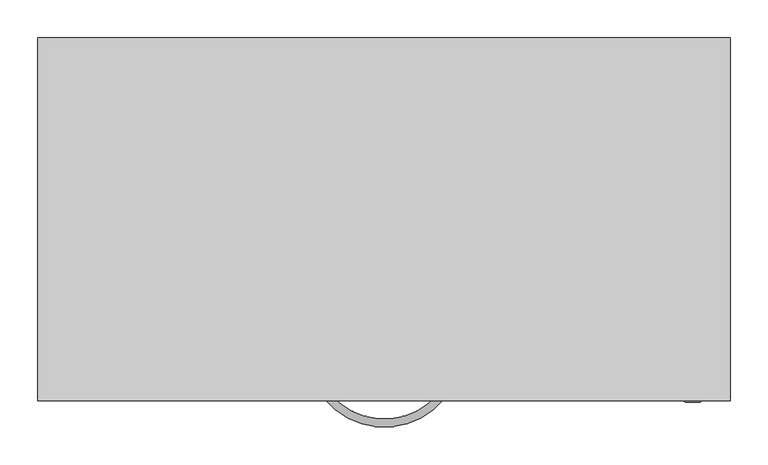
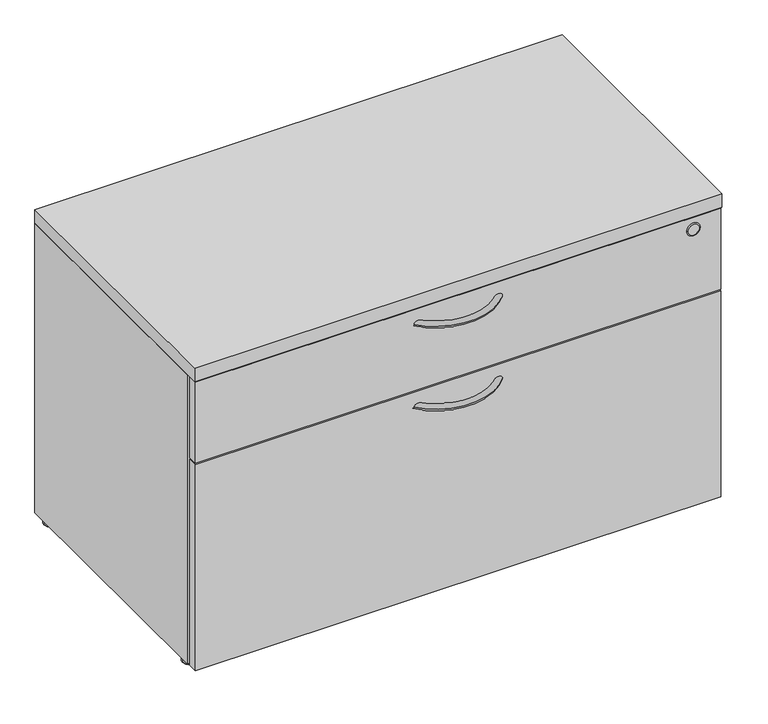
"""IFC4 building model written with IfcOpenShell, lengths in millimetres: furniture geometry."""

from ifc_helpers import new_model, si_unit, point, frame, origin, place, context, project, spatial, polyline, circle_curve, ellipse_curve, trimmed, outline, extrude, source, transform, mapped, element, save
from ifc_brep_helpers import plane_surface, cylinder_surface, revolved_surface, spline_surface, advanced_brep


def furniture_cb8786ba(model_context):
    return source(origin(), model_context, "Body", "SolidModel", [
        extrude(outline(polyline([(888.899231, -22.0971219), (888.899231, -457.3261219), (25.500769, -457.3261219), (25.500769, -22.0971219), (888.899231, -22.0971219)])), frame((0.0, 0.0, 362.0144251), z_axis=(0.0, 0.0, 1.0), x_axis=(1.0, 0.0, 0.0)), (0.0, 0.0, 1.0), 25.4),
        advanced_brep(
        [(378.7963228, -477.3447657, 513.8586235), (386.7663502, -470.6216519, 513.8586235), (536.4141029, -477.3447657, 513.8586235), (528.4440755, -470.6216519, 513.8586235)],
        [
            (0, 1, circle_curve(frame((382.7813365, -473.9832088, 513.8586235), z_axis=(-0.6447814742758499, 0.7643669605828483, 0.0), x_axis=(0.7643669605828483, 0.6447814742758499, 0.0)), 5.2134824)),
            (1, 0, circle_curve(frame((382.7813365, -473.9832088, 513.8586235), z_axis=(-0.6447814742758499, 0.7643669605828483, 0.0), x_axis=(0.7643669605828483, 0.6447814742758499, 0.0)), 5.2134824)),
            (2, 3, circle_curve(frame((532.4290892, -473.9832088, 513.8586235), z_axis=(0.6447814742758549, 0.764366960582844, 0.0), x_axis=(-0.764366960582844, 0.6447814742758549, 0.0)), 5.2134824)),
            (3, 2, circle_curve(frame((532.4290892, -473.9832088, 513.8586235), z_axis=(0.6447814742758549, 0.764366960582844, 0.0), x_axis=(-0.764366960582844, 0.6447814742758549, 0.0)), 5.2134824)),
            (3, 1, circle_curve(frame((457.6052129, -410.8655549, 513.8586235), z_axis=(0.0, 0.0, -1.0), x_axis=(-0.7643669605828483, -0.6447814742758499, 0.0)), 92.6765105)),
            (0, 2, circle_curve(frame((457.6052129, -410.8655549, 513.8586235), z_axis=(0.0, 0.0, 1.0), x_axis=(-0.7643669605828483, -0.6447814742758499, 0.0)), 103.1034753)),
        ],
        [
            plane_surface(frame((386.2831667, -471.0292412, 513.8586235), z_axis=(-0.64478147427585, 0.7643669605828484, 0.0), x_axis=(0.0, 0.0, 1.0))),
            plane_surface(frame((528.927259, -471.0292412, 513.8586235), z_axis=(0.644781474275855, 0.7643669605828441, 0.0), x_axis=(0.0, 0.0, 1.0))),
            revolved_surface(trimmed(ellipse_curve(frame((382.7813365, -473.9832088, 513.8586235), z_axis=(-0.6447814742758499, 0.7643669605828483, 0.0), x_axis=(0.7643669605828483, 0.6447814742758499, 0.0)), 5.2134824, 5.2134824), [point((378.7963228, -477.3447657, 513.8586235))], [point((386.7663502, -470.6216519, 513.8586235))], True, "CARTESIAN"), (457.6052129, -410.8655549, 513.8586235), (0.0, 0.0, 1.0)),
            revolved_surface(trimmed(ellipse_curve(frame((382.7813365, -473.9832088, 513.8586235), z_axis=(-0.6447814742758499, 0.7643669605828483, 0.0), x_axis=(0.7643669605828483, 0.6447814742758499, 0.0)), 5.2134824, 5.2134824), [point((386.7663502, -470.6216519, 513.8586235))], [point((378.7963228, -477.3447657, 513.8586235))], True, "CARTESIAN"), (457.6052129, -410.8655549, 513.8586235), (0.0, 0.0, 1.0)),
        ],
        [
            (0, [[1, 2]]),
            (1, [[3, 4]]),
            (2, [[5, -1, 6, -4]]),
            (3, [[-6, -2, -5, -3]]),
        ],
    ),
        extrude(outline(polyline([(912.876, -479.552), (1.5850353, -479.552), (1.5850353, -463.0820746), (912.876, -463.0820746), (912.876, -479.552)])), frame((0.0, 0.0, 392.1926235), z_axis=(0.0, 0.0, 1.0), x_axis=(1.0, 0.0, 0.0)), (0.0, 0.0, 1.0), 148.844),
        advanced_brep(
        [(855.247853, -481.0763256, 519.001375), (874.551853, -481.0763256, 519.001375), (852.3279567, -479.552, 519.1905487), (877.7279567, -479.552, 519.1905487)],
        [
            (0, 1, circle_curve(frame((864.899853, -481.0763256, 519.001375), z_axis=(0.0, -1.0, 0.0), x_axis=(1.0, 0.0, 0.0)), 9.652)),
            (1, 0, circle_curve(frame((864.899853, -481.0763256, 519.001375), z_axis=(0.0, -1.0, 0.0), x_axis=(1.0, 0.0, 0.0)), 9.652)),
            (2, 3, circle_curve(frame((865.0279567, -479.552, 519.1905487), z_axis=(0.0, 1.0, 0.0), x_axis=(1.0, 0.0, 0.0)), 12.7)),
            (3, 2, circle_curve(frame((865.0279567, -479.552, 519.1905487), z_axis=(0.0, 1.0, 0.0), x_axis=(1.0, 0.0, 0.0)), 12.7)),
            (3, 1),
            (0, 2),
        ],
        [
            plane_surface(frame((864.899853, -481.0763256, 519.001375), z_axis=(0.0, -1.0, 0.0), x_axis=(0.0, 0.0, -1.0))),
            plane_surface(frame((865.0279567, -479.552, 519.1905487), z_axis=(0.0, 1.0, 0.0), x_axis=(0.0, 0.0, -1.0))),
            spline_surface(2, 1, [[(852.3279567, -479.552, 519.1905487), (855.247853, -481.0763256, 519.001375)], [(852.3279567, -479.552, 506.4905487), (855.247853, -481.0763256, 509.349375)], [(865.0279567, -479.552, 506.4905487), (864.899853, -481.0763256, 509.349375)], [(877.7279567, -479.552, 506.4905487), (874.551853, -481.0763256, 509.349375)], [(877.7279567, -479.552, 519.1905487), (874.551853, -481.0763256, 519.001375)]], [3, 2, 3], [2, 2], [0.0, 1.0, 2.0], [0.0, 1.0], weights=[[1.0, 1.0], [0.7071067811865476, 0.7071067811865476], [1.0, 1.0], [0.7071067811865476, 0.7071067811865476], [1.0, 1.0]]),
            spline_surface(2, 1, [[(877.7279567, -479.552, 519.1905487), (874.551853, -481.0763256, 519.001375)], [(877.7279567, -479.552, 531.8905487000001), (874.551853, -481.0763256, 528.6533750000001)], [(865.0279567, -479.552, 531.8905487000001), (864.899853, -481.0763256, 528.6533750000001)], [(852.3279567, -479.552, 531.8905487000001), (855.247853, -481.0763256, 528.6533750000001)], [(852.3279567, -479.552, 519.1905487), (855.247853, -481.0763256, 519.001375)]], [3, 2, 3], [2, 2], [0.0, 1.0, 2.0], [0.0, 1.0], weights=[[1.0, 1.0], [0.7071067811865476, 0.7071067811865476], [1.0, 1.0], [0.7071067811865476, 0.7071067811865476], [1.0, 1.0]]),
        ],
        [
            (0, [[1, 2]]),
            (1, [[3, 4]]),
            (2, [[-4, 5, -1, 6]]),
            (3, [[-3, -6, -2, -5]]),
        ],
    ),
        advanced_brep(
        [(378.7963228, -477.3447657, 362.0144251), (386.7663502, -470.6216519, 362.0144251), (536.4141029, -477.3447657, 362.0144251), (528.4440755, -470.6216519, 362.0144251)],
        [
            (0, 1, circle_curve(frame((382.7813365, -473.9832088, 362.0144251), z_axis=(-0.6447814742758499, 0.7643669605828483, 0.0), x_axis=(0.7643669605828483, 0.6447814742758499, 0.0)), 5.2134824)),
            (1, 0, circle_curve(frame((382.7813365, -473.9832088, 362.0144251), z_axis=(-0.6447814742758499, 0.7643669605828483, 0.0), x_axis=(0.7643669605828483, 0.6447814742758499, 0.0)), 5.2134824)),
            (2, 3, circle_curve(frame((532.4290892, -473.9832088, 362.0144251), z_axis=(0.6447814742758549, 0.764366960582844, 0.0), x_axis=(-0.764366960582844, 0.6447814742758549, 0.0)), 5.2134824)),
            (3, 2, circle_curve(frame((532.4290892, -473.9832088, 362.0144251), z_axis=(0.6447814742758549, 0.764366960582844, 0.0), x_axis=(-0.764366960582844, 0.6447814742758549, 0.0)), 5.2134824)),
            (3, 1, circle_curve(frame((457.6052129, -410.8655549, 362.0144251), z_axis=(0.0, 0.0, -1.0), x_axis=(-0.7643669605828483, -0.6447814742758499, 0.0)), 92.6765105)),
            (0, 2, circle_curve(frame((457.6052129, -410.8655549, 362.0144251), z_axis=(0.0, 0.0, 1.0), x_axis=(-0.7643669605828483, -0.6447814742758499, 0.0)), 103.1034753)),
        ],
        [
            plane_surface(frame((386.2831667, -471.0292412, 362.0144251), z_axis=(-0.64478147427585, 0.7643669605828484, 0.0), x_axis=(0.0, 0.0, 1.0))),
            plane_surface(frame((528.927259, -471.0292412, 362.0144251), z_axis=(0.644781474275855, 0.7643669605828441, 0.0), x_axis=(0.0, 0.0, 1.0))),
            revolved_surface(trimmed(ellipse_curve(frame((382.7813365, -473.9832088, 362.0144251), z_axis=(-0.6447814742758499, 0.7643669605828483, 0.0), x_axis=(0.7643669605828483, 0.6447814742758499, 0.0)), 5.2134824, 5.2134824), [point((378.7963228, -477.3447657, 362.0144251))], [point((386.7663502, -470.6216519, 362.0144251))], True, "CARTESIAN"), (457.6052129, -410.8655549, 362.0144251), (0.0, 0.0, 1.0)),
            revolved_surface(trimmed(ellipse_curve(frame((382.7813365, -473.9832088, 362.0144251), z_axis=(-0.6447814742758499, 0.7643669605828483, 0.0), x_axis=(0.7643669605828483, 0.6447814742758499, 0.0)), 5.2134824, 5.2134824), [point((386.7663502, -470.6216519, 362.0144251))], [point((378.7963228, -477.3447657, 362.0144251))], True, "CARTESIAN"), (457.6052129, -410.8655549, 362.0144251), (0.0, 0.0, 1.0)),
        ],
        [
            (0, [[1, 2]]),
            (1, [[3, 4]]),
            (2, [[5, -1, 6, -4]]),
            (3, [[-6, -2, -5, -3]]),
        ],
    ),
        advanced_brep(
        [(4.4898161, -438.2761219, 0.0), (20.9101839, -438.2761219, 0.0), (12.7, -438.2761219, 0.0), (2.4325396, -438.2761219, 2.0572766), (22.9674604, -438.2761219, 2.0572766), (2.4325396, -438.2761219, 11.43), (22.9674604, -438.2761219, 11.43), (12.7, -438.2761219, 11.43)],
        [
            (0, 1, circle_curve(frame((12.7, -438.2761219, 0.0), z_axis=(0.0, 0.0, -1.0), x_axis=(1.0, 0.0, 0.0)), 8.2101839)),
            (1, 2),
            (2, 0),
            (1, 0, circle_curve(frame((12.7, -438.2761219, 0.0), z_axis=(0.0, 0.0, -1.0), x_axis=(1.0, 0.0, 0.0)), 8.2101839)),
            (3, 4, circle_curve(frame((12.7, -438.2761219, 2.0572766), z_axis=(0.0, 0.0, -1.0), x_axis=(1.0, 0.0, 0.0)), 10.2674604)),
            (4, 1),
            (0, 3),
            (4, 3, circle_curve(frame((12.7, -438.2761219, 2.0572766), z_axis=(0.0, 0.0, -1.0), x_axis=(1.0, 0.0, 0.0)), 10.2674604)),
            (5, 6, circle_curve(frame((12.7, -438.2761219, 11.43), z_axis=(0.0, 0.0, -1.0), x_axis=(1.0, 0.0, 0.0)), 10.2674604)),
            (6, 4),
            (3, 5),
            (6, 5, circle_curve(frame((12.7, -438.2761219, 11.43), z_axis=(0.0, 0.0, -1.0), x_axis=(1.0, 0.0, 0.0)), 10.2674604)),
            (7, 6),
            (5, 7),
        ],
        [
            plane_surface(frame((12.7, -438.2761219, 0.0), z_axis=(0.0, 0.0, -1.0), x_axis=(1.0, 0.0, 0.0))),
            revolved_surface(polyline([(20.9101839, -438.2761219, 0.0), (22.9674604, -438.2761219, 2.0572766)]), (12.7, -438.2761219, 11.43), (0.0, 0.0, 1.0)),
            cylinder_surface(frame((12.7, -438.2761219, 11.43), z_axis=(0.0, 0.0, 1.0), x_axis=(1.0, 0.0, 0.0)), 10.2674604),
            plane_surface(frame((12.7, -438.2761219, 11.43), z_axis=(0.0, 0.0, 1.0), x_axis=(1.0, 0.0, 0.0))),
        ],
        [
            (0, [[1, 2, 3]]),
            (0, [[4, -3, -2]]),
            (1, [[5, 6, -1, 7]]),
            (1, [[8, -7, -4, -6]]),
            (2, [[9, 10, -5, 11]]),
            (2, [[12, -11, -8, -10]]),
            (3, [[13, -9, 14]]),
            (3, [[-14, -12, -13]]),
        ],
    ),
        advanced_brep(
        [(12.7, -22.0971219, 11.43), (22.9674604, -22.0971219, 11.43), (2.4325396, -22.0971219, 11.43), (4.4898161, -22.0971219, 0.0), (20.9101839, -22.0971219, 0.0), (12.7, -22.0971219, 0.0), (2.4325396, -22.0971219, 2.0572766), (22.9674604, -22.0971219, 2.0572766)],
        [
            (0, 1),
            (1, 2, circle_curve(frame((12.7, -22.0971219, 11.43), z_axis=(0.0, 0.0, 1.0), x_axis=(1.0, 0.0, 0.0)), 10.2674604)),
            (2, 0),
            (2, 1, circle_curve(frame((12.7, -22.0971219, 11.43), z_axis=(0.0, 0.0, 1.0), x_axis=(1.0, 0.0, 0.0)), 10.2674604)),
            (3, 4, circle_curve(frame((12.7, -22.0971219, 0.0), z_axis=(0.0, 0.0, -1.0), x_axis=(1.0, 0.0, 0.0)), 8.2101839)),
            (4, 5),
            (5, 3),
            (4, 3, circle_curve(frame((12.7, -22.0971219, 0.0), z_axis=(0.0, 0.0, -1.0), x_axis=(1.0, 0.0, 0.0)), 8.2101839)),
            (6, 7, circle_curve(frame((12.7, -22.0971219, 2.0572766), z_axis=(0.0, 0.0, -1.0), x_axis=(1.0, 0.0, 0.0)), 10.2674604)),
            (7, 4),
            (3, 6),
            (7, 6, circle_curve(frame((12.7, -22.0971219, 2.0572766), z_axis=(0.0, 0.0, -1.0), x_axis=(1.0, 0.0, 0.0)), 10.2674604)),
            (1, 7),
            (6, 2),
        ],
        [
            plane_surface(frame((12.7, -22.0971219, 11.43), z_axis=(0.0, 0.0, 1.0), x_axis=(1.0, 0.0, 0.0))),
            plane_surface(frame((12.7, -22.0971219, 0.0), z_axis=(0.0, 0.0, -1.0), x_axis=(1.0, 0.0, 0.0))),
            revolved_surface(polyline([(20.9101839, -22.0971219, 0.0), (22.9674604, -22.0971219, 2.0572766)]), (12.7, -22.0971219, 24.13), (0.0, 0.0, 1.0)),
            cylinder_surface(frame((12.7, -22.0971219, 24.13), z_axis=(0.0, 0.0, 1.0), x_axis=(1.0, 0.0, 0.0)), 10.2674604),
        ],
        [
            (0, [[1, 2, 3]]),
            (0, [[-3, 4, -1]]),
            (1, [[5, 6, 7]]),
            (1, [[8, -7, -6]]),
            (2, [[9, 10, -5, 11]]),
            (2, [[12, -11, -8, -10]]),
            (3, [[-2, 13, -9, 14]]),
            (3, [[-4, -14, -12, -13]]),
        ],
    ),
        extrude(outline(polyline([(888.899231, -3.1206157), (888.899231, -28.6213848), (25.500769, -28.6213848), (25.500769, -3.1206157), (888.899231, -3.1206157)])), frame((0.0, 0.0, 11.43), z_axis=(0.0, 0.0, 1.0), x_axis=(1.0, 0.0, 0.0)), (0.0, 0.0, 1.0), 530.352),
        extrude(outline(polyline([(25.500769, 0.0), (25.500769, -457.3261219), (0.0, -457.3261219), (0.0, 0.0), (25.500769, 0.0)])), frame((0.0, 0.0, 11.43), z_axis=(0.0, 0.0, 1.0), x_axis=(1.0, 0.0, 0.0)), (0.0, 0.0, 1.0), 530.352),
        extrude(outline(polyline([(888.899231, 0.0), (914.4, 0.0), (914.4, -457.3261219), (888.899231, -457.3261219), (888.899231, 0.0)])), frame((0.0, 0.0, 11.43), z_axis=(0.0, 0.0, 1.0), x_axis=(1.0, 0.0, 0.0)), (0.0, 0.0, 1.0), 530.352),
        extrude(outline(polyline([(912.876, -479.552), (1.5850353, -479.552), (1.5850353, -463.0820746), (912.876, -463.0820746), (912.876, -479.552)])), frame((0.0, 0.0, 11.43), z_axis=(0.0, 0.0, 1.0), x_axis=(1.0, 0.0, 0.0)), (0.0, 0.0, 1.0), 377.7624251),
        advanced_brep(
        [(911.9674604, -22.0971219, 2.0572766), (891.4325396, -22.0971219, 2.0572766), (891.4325396, -22.0971219, 11.43), (911.9674604, -22.0971219, 11.43), (909.9101839, -22.0971219, 0.0), (893.4898161, -22.0971219, 0.0), (901.7, -22.0971219, 0.0), (901.7, -22.0971219, 11.43)],
        [
            (0, 1, circle_curve(frame((901.7, -22.0971219, 2.0572766), z_axis=(0.0, 0.0, 1.0), x_axis=(-1.0, 0.0, 0.0)), 10.2674604)),
            (1, 2),
            (2, 3, circle_curve(frame((901.7, -22.0971219, 11.43), z_axis=(0.0, 0.0, -1.0), x_axis=(-1.0, 0.0, 0.0)), 10.2674604)),
            (3, 0),
            (1, 0, circle_curve(frame((901.7, -22.0971219, 2.0572766), z_axis=(0.0, 0.0, 1.0), x_axis=(-1.0, 0.0, 0.0)), 10.2674604)),
            (3, 2, circle_curve(frame((901.7, -22.0971219, 11.43), z_axis=(0.0, 0.0, -1.0), x_axis=(-1.0, 0.0, 0.0)), 10.2674604)),
            (4, 5, circle_curve(frame((901.7, -22.0971219, 0.0), z_axis=(0.0, 0.0, 1.0), x_axis=(-1.0, 0.0, 0.0)), 8.2101839)),
            (5, 1),
            (0, 4),
            (5, 4, circle_curve(frame((901.7, -22.0971219, 0.0), z_axis=(0.0, 0.0, 1.0), x_axis=(-1.0, 0.0, 0.0)), 8.2101839)),
            (6, 5),
            (4, 6),
            (2, 7),
            (7, 3),
        ],
        [
            cylinder_surface(frame((901.7, -22.0971219, 24.13), z_axis=(0.0, 0.0, -1.0), x_axis=(-1.0, 0.0, 0.0)), 10.2674604),
            revolved_surface(polyline([(891.4325396, -22.0971219, 2.0572766), (893.4898161, -22.0971219, 0.0)]), (901.7, -22.0971219, 24.13), (0.0, 0.0, -1.0)),
            plane_surface(frame((901.7, -22.0971219, 0.0), z_axis=(0.0, 0.0, -1.0), x_axis=(-1.0, 0.0, 0.0))),
            plane_surface(frame((901.7, -22.0971219, 11.43), z_axis=(0.0, 0.0, 1.0), x_axis=(-1.0, 0.0, 0.0))),
        ],
        [
            (0, [[1, 2, 3, 4]]),
            (0, [[5, -4, 6, -2]]),
            (1, [[7, 8, -1, 9]]),
            (1, [[10, -9, -5, -8]]),
            (2, [[11, -7, 12]]),
            (2, [[-12, -10, -11]]),
            (3, [[-3, 13, 14]]),
            (3, [[-6, -14, -13]]),
        ],
    ),
        advanced_brep(
        [(911.9674604, -438.2761219, 11.43), (891.4325396, -438.2761219, 11.43), (901.7, -438.2761219, 11.43), (911.9674604, -438.2761219, 2.0572766), (891.4325396, -438.2761219, 2.0572766), (909.9101839, -438.2761219, 0.0), (893.4898161, -438.2761219, 0.0), (901.7, -438.2761219, 0.0)],
        [
            (0, 1, circle_curve(frame((901.7, -438.2761219, 11.43), z_axis=(0.0, 0.0, 1.0), x_axis=(-1.0, 0.0, 0.0)), 10.2674604)),
            (1, 2),
            (2, 0),
            (1, 0, circle_curve(frame((901.7, -438.2761219, 11.43), z_axis=(0.0, 0.0, 1.0), x_axis=(-1.0, 0.0, 0.0)), 10.2674604)),
            (3, 4, circle_curve(frame((901.7, -438.2761219, 2.0572766), z_axis=(0.0, 0.0, 1.0), x_axis=(-1.0, 0.0, 0.0)), 10.2674604)),
            (4, 1),
            (0, 3),
            (4, 3, circle_curve(frame((901.7, -438.2761219, 2.0572766), z_axis=(0.0, 0.0, 1.0), x_axis=(-1.0, 0.0, 0.0)), 10.2674604)),
            (5, 6, circle_curve(frame((901.7, -438.2761219, 0.0), z_axis=(0.0, 0.0, 1.0), x_axis=(-1.0, 0.0, 0.0)), 8.2101839)),
            (6, 4),
            (3, 5),
            (6, 5, circle_curve(frame((901.7, -438.2761219, 0.0), z_axis=(0.0, 0.0, 1.0), x_axis=(-1.0, 0.0, 0.0)), 8.2101839)),
            (7, 6),
            (5, 7),
        ],
        [
            plane_surface(frame((901.7, -438.2761219, 11.43), z_axis=(0.0, 0.0, 1.0), x_axis=(-1.0, 0.0, 0.0))),
            cylinder_surface(frame((901.7, -438.2761219, 11.43), z_axis=(0.0, 0.0, -1.0), x_axis=(-1.0, 0.0, 0.0)), 10.2674604),
            revolved_surface(polyline([(891.4325396, -438.2761219, 2.0572766), (893.4898161, -438.2761219, 0.0)]), (901.7, -438.2761219, 11.43), (0.0, 0.0, -1.0)),
            plane_surface(frame((901.7, -438.2761219, 0.0), z_axis=(0.0, 0.0, -1.0), x_axis=(-1.0, 0.0, 0.0))),
        ],
        [
            (0, [[1, 2, 3]]),
            (0, [[4, -3, -2]]),
            (1, [[5, 6, -1, 7]]),
            (1, [[8, -7, -4, -6]]),
            (2, [[9, 10, -5, 11]]),
            (2, [[12, -11, -8, -10]]),
            (3, [[13, -9, 14]]),
            (3, [[-14, -12, -13]]),
        ],
    ),
        extrude(outline(polyline([(914.4, 0.0), (914.4, -479.552), (0.0, -479.552), (0.0, 0.0), (914.4, 0.0)])), frame((0.0, 0.0, 541.782), z_axis=(0.0, 0.0, 1.0), x_axis=(1.0, 0.0, 0.0)), (0.0, 0.0, 1.0), 25.4),
        extrude(outline(polyline([(888.899231, 0.0), (888.899231, -457.3261219), (531.2812889, -457.3261219), (25.500769, -457.3261219), (25.500769, 0.0), (888.899231, 0.0)])), frame((0.0, 0.0, 11.43), z_axis=(0.0, 0.0, 1.0), x_axis=(1.0, 0.0, 0.0)), (0.0, 0.0, 1.0), 76.2),
    ])


if __name__ == "__main__":
    model = new_model("IFC4")
    model_context = context("Model", 3, world=origin())
    ifc_project = project(units=[si_unit("LENGTHUNIT", "METRE", prefix="MILLI")], contexts=[model_context])
    site = spatial("IfcSite", under=ifc_project)
    building = spatial("IfcBuilding", under=site)
    placement = place(None, origin())
    furniture_shape = furniture_cb8786ba(model_context)
    element("IfcFurniture", 1, at=placement, inside=building, context=model_context, shape_type="MappedRepresentation", body=[
        mapped(furniture_shape, transform((0.0, 0.0, 0.0), x_axis=(1.0, 0.0, 0.0), y_axis=(0.0, 1.0, 0.0), z_axis=(0.0, 0.0, 1.0))),
    ])
    save(model, "model.ifc")
